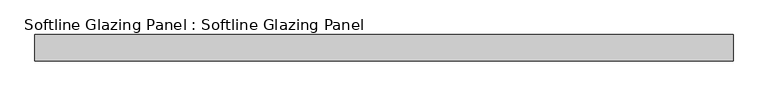
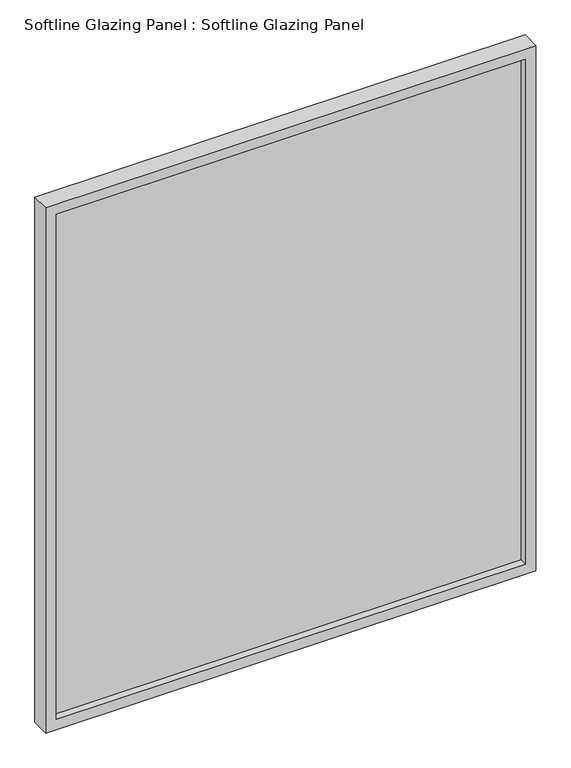
"""IFC4 building model written with IfcOpenShell, lengths in millimetres: plate geometry, Softline Glazing Panel : Softline Glazing Panel."""

from ifc_helpers import new_model, si_unit, frame, origin, place, context, project, spatial, polyline, outline, extrude, faceted_brep, source, transform, mapped, element, save


def softline_glazing_panel_softline_glazing_panel_95355d9e(model_context):
    return source(origin(), model_context, "Body", "SolidModel", [
        extrude(outline(polyline([(580.0, 4.0), (580.0, -4.0), (-580.0, -4.0), (-580.0, 4.0), (580.0, 4.0)])), frame((0.0, 0.0, 16.0), z_axis=(0.0, 0.0, 1.0), x_axis=(1.0, 0.0, 0.0)), (0.0, 0.0, 1.0), 1318.0),
        faceted_brep([(570.0, 4.0, 26.0), (570.0, 22.5, 26.0), (-570.0, 22.5, 26.0), (-570.0, 4.0, 26.0), (580.0, -4.0, 16.0), (580.0, 4.0, 16.0), (-580.0, 4.0, 16.0), (-580.0, -4.0, 16.0), (570.0, -22.5, 26.0), (570.0, -4.0, 26.0), (-570.0, -4.0, 26.0), (-570.0, -22.5, 26.0), (596.0, 22.5, 0.0), (596.0, -22.5, 0.0), (-596.0, -22.5, 0.0), (-596.0, 22.5, 0.0), (-570.0, 22.5, 1324.0), (-570.0, 4.0, 1324.0), (-580.0, 4.0, 1334.0), (-580.0, -4.0, 1334.0), (-570.0, -4.0, 1324.0), (-570.0, -22.5, 1324.0), (-596.0, -22.5, 1350.0), (-596.0, 22.5, 1350.0), (570.0, 22.5, 1324.0), (570.0, 4.0, 1324.0), (580.0, 4.0, 1334.0), (580.0, -4.0, 1334.0), (570.0, -4.0, 1324.0), (570.0, -22.5, 1324.0), (596.0, -22.5, 1350.0), (596.0, 22.5, 1350.0)], [[[0, 1, 2, 3]], [[4, 5, 6, 7]], [[8, 9, 10, 11]], [[12, 13, 14, 15]], [[3, 2, 16, 17]], [[7, 6, 18, 19]], [[11, 10, 20, 21]], [[15, 14, 22, 23]], [[17, 16, 24, 25]], [[19, 18, 26, 27]], [[21, 20, 28, 29]], [[23, 22, 30, 31]], [[15, 23, 31, 12], [1, 24, 16, 2]], [[25, 24, 1, 0]], [[5, 26, 18, 6], [3, 17, 25, 0]], [[27, 26, 5, 4]], [[7, 19, 27, 4], [9, 28, 20, 10]], [[29, 28, 9, 8]], [[13, 30, 22, 14], [11, 21, 29, 8]], [[31, 30, 13, 12]]]),
    ])


if __name__ == "__main__":
    model = new_model("IFC4")
    model_context = context("Model", 3, world=origin())
    ifc_project = project(units=[si_unit("LENGTHUNIT", "METRE", prefix="MILLI")], contexts=[model_context])
    site = spatial("IfcSite", under=ifc_project)
    building = spatial("IfcBuilding", under=site)
    placement = place(None, origin())
    softline_glazing_panel_softline_glazing_panel_shape = softline_glazing_panel_softline_glazing_panel_95355d9e(model_context)
    element("IfcPlate", 1, ObjectType="Softline Glazing Panel : Softline Glazing Panel", at=placement, inside=building, context=model_context, shape_type="MappedRepresentation", body=[
        mapped(softline_glazing_panel_softline_glazing_panel_shape, transform((0.0, 0.0, 0.0), x_axis=(1.0, 0.0, 0.0), y_axis=(0.0, 1.0, 0.0), z_axis=(0.0, 0.0, 1.0))),
    ])
    save(model, "model.ifc")
